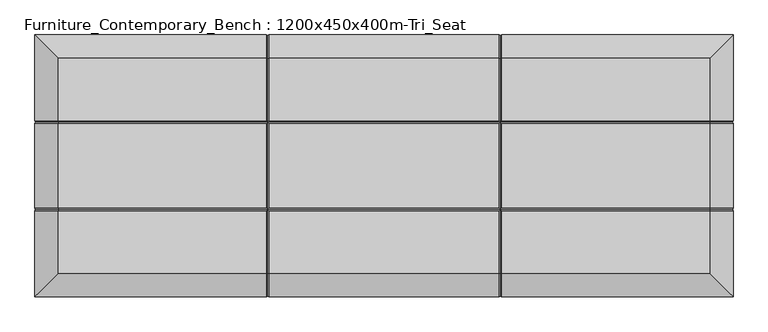
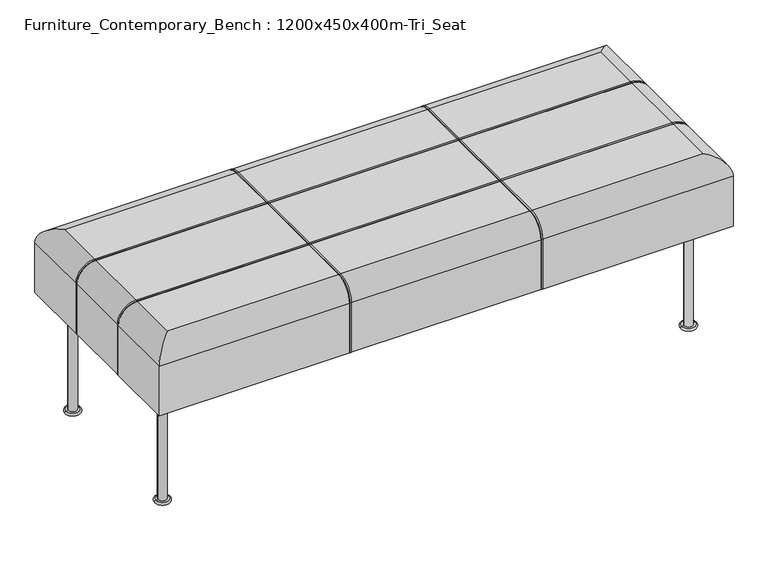
"""IFC4 building model written with IfcOpenShell, lengths in millimetres: furniture geometry, Furniture_Contemporary_Bench : 1200x450x400m-Tri_Seat."""

from ifc_helpers import new_model, si_unit, point, frame, origin, place, context, project, spatial, circle_curve, ellipse_curve, trimmed, source, transform, mapped, element, save
from ifc_brep_helpers import plane_surface, cylinder_surface, revolved_surface, advanced_brep


def furniture_contemporary_bench_1200x450x400m_tri_seat_790090d5(model_context):
    return source(origin(), model_context, "Body", "AdvancedBrep", [
        advanced_brep(
        [(662.3811933, -50.0, 5.0), (680.3811933, -50.0, 5.0), (680.3811933, -50.0, 250.0), (662.3811933, -50.0, 250.0), (657.3811933, -50.0, 5.0), (685.3811933, -50.0, 5.0), (657.3811933, -50.0, 0.0), (685.3811933, -50.0, 0.0), (671.3811933, -50.0, 0.0), (671.3811933, -50.0, 250.0)],
        [
            (0, 1, circle_curve(frame((671.3811933, -50.0, 5.0), z_axis=(0.0, 0.0, 1.0), x_axis=(1.0, 0.0, 0.0)), 9.0)),
            (1, 2),
            (2, 3, circle_curve(frame((671.3811933, -50.0, 250.0), z_axis=(0.0, 0.0, -1.0), x_axis=(1.0, 0.0, 0.0)), 9.0)),
            (3, 0),
            (1, 0, circle_curve(frame((671.3811933, -50.0, 5.0), z_axis=(0.0, 0.0, 1.0), x_axis=(1.0, 0.0, 0.0)), 9.0)),
            (3, 2, circle_curve(frame((671.3811933, -50.0, 250.0), z_axis=(0.0, 0.0, -1.0), x_axis=(1.0, 0.0, 0.0)), 9.0)),
            (4, 5, circle_curve(frame((671.3811933, -50.0, 5.0), z_axis=(0.0, 0.0, 1.0), x_axis=(1.0, 0.0, 0.0)), 14.0)),
            (5, 1),
            (0, 4),
            (5, 4, circle_curve(frame((671.3811933, -50.0, 5.0), z_axis=(0.0, 0.0, 1.0), x_axis=(1.0, 0.0, 0.0)), 14.0)),
            (6, 7, circle_curve(frame((671.3811933, -50.0, 0.0), z_axis=(0.0, 0.0, 1.0), x_axis=(1.0, 0.0, 0.0)), 14.0)),
            (7, 5, circle_curve(frame((685.3811933, -50.0, 2.5), z_axis=(0.0, -1.0, 0.0), x_axis=(-1.0, 0.0, 0.0)), 2.5)),
            (4, 6, circle_curve(frame((657.3811933, -50.0, 2.5), z_axis=(0.0, -1.0, 0.0), x_axis=(1.0, 0.0, 0.0)), 2.5)),
            (7, 6, circle_curve(frame((671.3811933, -50.0, 0.0), z_axis=(0.0, 0.0, 1.0), x_axis=(1.0, 0.0, 0.0)), 14.0)),
            (8, 7),
            (6, 8),
            (2, 9),
            (9, 3),
        ],
        [
            cylinder_surface(frame((671.3811933, -50.0, -55.0), z_axis=(0.0, 0.0, -1.0), x_axis=(1.0, 0.0, 0.0)), 9.0),
            plane_surface(frame((671.3811933, -50.0, 5.0), z_axis=(0.0, 0.0, 1.0), x_axis=(1.0, 0.0, 0.0))),
            revolved_surface(trimmed(ellipse_curve(frame((685.3811933, -50.0, 2.5), z_axis=(0.0, 1.0, 0.0), x_axis=(-1.0, 0.0, 0.0)), 2.5, 2.5), [point((685.3811933, -50.0, 5.0))], [point((685.3811933, -50.0, 0.0))], True, "CARTESIAN"), (671.3811933, -50.0, -55.0), (0.0, 0.0, -1.0)),
            plane_surface(frame((671.3811933, -50.0, 0.0), z_axis=(0.0, 0.0, -1.0), x_axis=(1.0, 0.0, 0.0))),
            plane_surface(frame((671.3811933, -50.0, 250.0), z_axis=(0.0, 0.0, 1.0), x_axis=(1.0, 0.0, 0.0))),
        ],
        [
            (0, [[1, 2, 3, 4]]),
            (0, [[5, -4, 6, -2]]),
            (1, [[7, 8, -1, 9]]),
            (1, [[10, -9, -5, -8]]),
            (2, [[11, 12, -7, 13]]),
            (2, [[14, -13, -10, -12]]),
            (3, [[15, -11, 16]]),
            (3, [[-16, -14, -15]]),
            (4, [[-3, 17, 18]]),
            (4, [[-6, -18, -17]]),
        ],
    ),
        advanced_brep(
        [(-428.6188067, -50.0, 250.0), (-437.6188067, -50.0, 250.0), (-419.6188067, -50.0, 250.0), (-414.6188067, -50.0, 0.0), (-442.6188067, -50.0, 0.0), (-428.6188067, -50.0, 0.0), (-414.6188067, -50.0, 5.0), (-442.6188067, -50.0, 5.0), (-419.6188067, -50.0, 5.0), (-437.6188067, -50.0, 5.0)],
        [
            (0, 1),
            (1, 2, circle_curve(frame((-428.6188067, -50.0, 250.0), z_axis=(0.0, 0.0, 1.0), x_axis=(-1.0, 0.0, 0.0)), 9.0)),
            (2, 0),
            (2, 1, circle_curve(frame((-428.6188067, -50.0, 250.0), z_axis=(0.0, 0.0, 1.0), x_axis=(-1.0, 0.0, 0.0)), 9.0)),
            (3, 4, circle_curve(frame((-428.6188067, -50.0, 0.0), z_axis=(0.0, 0.0, -1.0), x_axis=(-1.0, 0.0, 0.0)), 14.0)),
            (4, 5),
            (5, 3),
            (4, 3, circle_curve(frame((-428.6188067, -50.0, 0.0), z_axis=(0.0, 0.0, -1.0), x_axis=(-1.0, 0.0, 0.0)), 14.0)),
            (6, 7, circle_curve(frame((-428.6188067, -50.0, 5.0), z_axis=(0.0, 0.0, -1.0), x_axis=(-1.0, 0.0, 0.0)), 14.0)),
            (7, 4, circle_curve(frame((-442.6188067, -50.0, 2.5), z_axis=(0.0, -1.0, 0.0), x_axis=(-1.0, 0.0, 0.0)), 2.5)),
            (3, 6, circle_curve(frame((-414.6188067, -50.0, 2.5), z_axis=(0.0, -1.0, 0.0), x_axis=(1.0, 0.0, 0.0)), 2.5)),
            (7, 6, circle_curve(frame((-428.6188067, -50.0, 5.0), z_axis=(0.0, 0.0, -1.0), x_axis=(-1.0, 0.0, 0.0)), 14.0)),
            (8, 9, circle_curve(frame((-428.6188067, -50.0, 5.0), z_axis=(0.0, 0.0, -1.0), x_axis=(-1.0, 0.0, 0.0)), 9.0)),
            (9, 7),
            (6, 8),
            (9, 8, circle_curve(frame((-428.6188067, -50.0, 5.0), z_axis=(0.0, 0.0, -1.0), x_axis=(-1.0, 0.0, 0.0)), 9.0)),
            (1, 9),
            (8, 2),
        ],
        [
            plane_surface(frame((-428.6188067, -50.0, 250.0), z_axis=(0.0, 0.0, 1.0), x_axis=(-1.0, 0.0, 0.0))),
            plane_surface(frame((-428.6188067, -50.0, 0.0), z_axis=(0.0, 0.0, -1.0), x_axis=(-1.0, 0.0, 0.0))),
            revolved_surface(trimmed(ellipse_curve(frame((-442.6188067, -50.0, 2.5), z_axis=(0.0, 1.0, 0.0), x_axis=(-1.0, 0.0, 0.0)), 2.5, 2.5), [point((-442.6188067, -50.0, 0.0))], [point((-442.6188067, -50.0, 5.0))], True, "CARTESIAN"), (-428.6188067, -50.0, -55.0), (0.0, 0.0, 1.0)),
            plane_surface(frame((-428.6188067, -50.0, 5.0), z_axis=(0.0, 0.0, 1.0), x_axis=(-1.0, 0.0, 0.0))),
            cylinder_surface(frame((-428.6188067, -50.0, -55.0), z_axis=(0.0, 0.0, 1.0), x_axis=(-1.0, 0.0, 0.0)), 9.0),
        ],
        [
            (0, [[1, 2, 3]]),
            (0, [[-3, 4, -1]]),
            (1, [[5, 6, 7]]),
            (1, [[8, -7, -6]]),
            (2, [[9, 10, -5, 11]]),
            (2, [[12, -11, -8, -10]]),
            (3, [[13, 14, -9, 15]]),
            (3, [[16, -15, -12, -14]]),
            (4, [[-2, 17, -13, 18]]),
            (4, [[-4, -18, -16, -17]]),
        ],
    ),
        advanced_brep(
        [(662.3811933, -375.0, 5.0), (680.3811933, -375.0, 5.0), (680.3811933, -375.0, 250.0), (662.3811933, -375.0, 250.0), (657.3811933, -375.0, 5.0), (685.3811933, -375.0, 5.0), (657.3811933, -375.0, 0.0), (685.3811933, -375.0, 0.0), (671.3811933, -375.0, 0.0), (671.3811933, -375.0, 250.0)],
        [
            (0, 1, circle_curve(frame((671.3811933, -375.0, 5.0), z_axis=(0.0, 0.0, 1.0), x_axis=(1.0, 0.0, 0.0)), 9.0)),
            (1, 2),
            (2, 3, circle_curve(frame((671.3811933, -375.0, 250.0), z_axis=(0.0, 0.0, -1.0), x_axis=(1.0, 0.0, 0.0)), 9.0)),
            (3, 0),
            (1, 0, circle_curve(frame((671.3811933, -375.0, 5.0), z_axis=(0.0, 0.0, 1.0), x_axis=(1.0, 0.0, 0.0)), 9.0)),
            (3, 2, circle_curve(frame((671.3811933, -375.0, 250.0), z_axis=(0.0, 0.0, -1.0), x_axis=(1.0, 0.0, 0.0)), 9.0)),
            (4, 5, circle_curve(frame((671.3811933, -375.0, 5.0), z_axis=(0.0, 0.0, 1.0), x_axis=(1.0, 0.0, 0.0)), 14.0)),
            (5, 1),
            (0, 4),
            (5, 4, circle_curve(frame((671.3811933, -375.0, 5.0), z_axis=(0.0, 0.0, 1.0), x_axis=(1.0, 0.0, 0.0)), 14.0)),
            (6, 7, circle_curve(frame((671.3811933, -375.0, 0.0), z_axis=(0.0, 0.0, 1.0), x_axis=(1.0, 0.0, 0.0)), 14.0)),
            (7, 5, circle_curve(frame((685.3811933, -375.0, 2.5), z_axis=(0.0, -1.0, 0.0), x_axis=(1.0, 0.0, 0.0)), 2.5)),
            (4, 6, circle_curve(frame((657.3811933, -375.0, 2.5), z_axis=(0.0, -1.0, 0.0), x_axis=(-1.0, 0.0, 0.0)), 2.5)),
            (7, 6, circle_curve(frame((671.3811933, -375.0, 0.0), z_axis=(0.0, 0.0, 1.0), x_axis=(1.0, 0.0, 0.0)), 14.0)),
            (8, 7),
            (6, 8),
            (2, 9),
            (9, 3),
        ],
        [
            cylinder_surface(frame((671.3811933, -375.0, -55.0), z_axis=(0.0, 0.0, -1.0), x_axis=(1.0, 0.0, 0.0)), 9.0),
            plane_surface(frame((671.3811933, -375.0, 5.0), z_axis=(0.0, 0.0, 1.0), x_axis=(1.0, 0.0, 0.0))),
            revolved_surface(trimmed(ellipse_curve(frame((685.3811933, -375.0, 2.5), z_axis=(0.0, 1.0, 0.0), x_axis=(1.0, 0.0, 0.0)), 2.5, 2.5), [point((685.3811933, -375.0, 5.0))], [point((685.3811933, -375.0, 0.0))], True, "CARTESIAN"), (671.3811933, -375.0, -55.0), (0.0, 0.0, -1.0)),
            plane_surface(frame((671.3811933, -375.0, 0.0), z_axis=(0.0, 0.0, -1.0), x_axis=(1.0, 0.0, 0.0))),
            plane_surface(frame((671.3811933, -375.0, 250.0), z_axis=(0.0, 0.0, 1.0), x_axis=(1.0, 0.0, 0.0))),
        ],
        [
            (0, [[1, 2, 3, 4]]),
            (0, [[5, -4, 6, -2]]),
            (1, [[7, 8, -1, 9]]),
            (1, [[10, -9, -5, -8]]),
            (2, [[11, 12, -7, 13]]),
            (2, [[14, -13, -10, -12]]),
            (3, [[15, -11, 16]]),
            (3, [[-16, -14, -15]]),
            (4, [[-3, 17, 18]]),
            (4, [[-6, -18, -17]]),
        ],
    ),
        advanced_brep(
        [(-428.6188067, -375.0, 250.0), (-437.6188067, -375.0, 250.0), (-419.6188067, -375.0, 250.0), (-414.6188067, -375.0, 0.0), (-442.6188067, -375.0, 0.0), (-428.6188067, -375.0, 0.0), (-414.6188067, -375.0, 5.0), (-442.6188067, -375.0, 5.0), (-419.6188067, -375.0, 5.0), (-437.6188067, -375.0, 5.0)],
        [
            (0, 1),
            (1, 2, circle_curve(frame((-428.6188067, -375.0, 250.0), z_axis=(0.0, 0.0, 1.0), x_axis=(-1.0, 0.0, 0.0)), 9.0)),
            (2, 0),
            (2, 1, circle_curve(frame((-428.6188067, -375.0, 250.0), z_axis=(0.0, 0.0, 1.0), x_axis=(-1.0, 0.0, 0.0)), 9.0)),
            (3, 4, circle_curve(frame((-428.6188067, -375.0, 0.0), z_axis=(0.0, 0.0, -1.0), x_axis=(-1.0, 0.0, 0.0)), 14.0)),
            (4, 5),
            (5, 3),
            (4, 3, circle_curve(frame((-428.6188067, -375.0, 0.0), z_axis=(0.0, 0.0, -1.0), x_axis=(-1.0, 0.0, 0.0)), 14.0)),
            (6, 7, circle_curve(frame((-428.6188067, -375.0, 5.0), z_axis=(0.0, 0.0, -1.0), x_axis=(-1.0, 0.0, 0.0)), 14.0)),
            (7, 4, circle_curve(frame((-442.6188067, -375.0, 2.5), z_axis=(0.0, -1.0, 0.0), x_axis=(-1.0, 0.0, 0.0)), 2.5)),
            (3, 6, circle_curve(frame((-414.6188067, -375.0, 2.5), z_axis=(0.0, -1.0, 0.0), x_axis=(1.0, 0.0, 0.0)), 2.5)),
            (7, 6, circle_curve(frame((-428.6188067, -375.0, 5.0), z_axis=(0.0, 0.0, -1.0), x_axis=(-1.0, 0.0, 0.0)), 14.0)),
            (8, 9, circle_curve(frame((-428.6188067, -375.0, 5.0), z_axis=(0.0, 0.0, -1.0), x_axis=(-1.0, 0.0, 0.0)), 9.0)),
            (9, 7),
            (6, 8),
            (9, 8, circle_curve(frame((-428.6188067, -375.0, 5.0), z_axis=(0.0, 0.0, -1.0), x_axis=(-1.0, 0.0, 0.0)), 9.0)),
            (1, 9),
            (8, 2),
        ],
        [
            plane_surface(frame((-428.6188067, -375.0, 250.0), z_axis=(0.0, 0.0, 1.0), x_axis=(-1.0, 0.0, 0.0))),
            plane_surface(frame((-428.6188067, -375.0, 0.0), z_axis=(0.0, 0.0, -1.0), x_axis=(-1.0, 0.0, 0.0))),
            revolved_surface(trimmed(ellipse_curve(frame((-442.6188067, -375.0, 2.5), z_axis=(0.0, 1.0, 0.0), x_axis=(-1.0, 0.0, 0.0)), 2.5, 2.5), [point((-442.6188067, -375.0, 0.0))], [point((-442.6188067, -375.0, 5.0))], True, "CARTESIAN"), (-428.6188067, -375.0, -55.0), (0.0, 0.0, 1.0)),
            plane_surface(frame((-428.6188067, -375.0, 5.0), z_axis=(0.0, 0.0, 1.0), x_axis=(-1.0, 0.0, 0.0))),
            cylinder_surface(frame((-428.6188067, -375.0, -55.0), z_axis=(0.0, 0.0, 1.0), x_axis=(-1.0, 0.0, 0.0)), 9.0),
        ],
        [
            (0, [[1, 2, 3]]),
            (0, [[-3, 4, -1]]),
            (1, [[5, 6, 7]]),
            (1, [[8, -7, -6]]),
            (2, [[9, 10, -5, 11]]),
            (2, [[12, -11, -8, -10]]),
            (3, [[13, 14, -9, 15]]),
            (3, [[16, -15, -12, -14]]),
            (4, [[-2, 17, -13, 18]]),
            (4, [[-4, -18, -16, -17]]),
        ],
    ),
        advanced_brep(
        [(-478.6188067, -450.0, 360.0), (-478.6188067, -450.0, 250.0), (-81.2982159, -450.0, 250.0), (-81.2982159, -450.0, 360.0), (721.3811933, -450.0, 250.0), (721.3811933, -450.0, 360.0), (324.0606025, -450.0, 360.0), (324.0606025, -450.0, 250.0), (-75.9393975, -450.0, 250.0), (318.7017841, -450.0, 250.0), (318.7017841, -450.0, 360.0), (-75.9393975, -450.0, 360.0), (721.3811933, 0.0, 360.0), (721.3811933, 0.0, 250.0), (324.0606025, 0.0, 250.0), (324.0606025, 0.0, 360.0), (-478.6188067, 0.0, 250.0), (-478.6188067, 0.0, 360.0), (-81.2982159, 0.0, 360.0), (-81.2982159, 0.0, 250.0), (318.7017841, 0.0, 250.0), (-75.9393975, 0.0, 250.0), (-75.9393975, 0.0, 360.0), (318.7017841, 0.0, 360.0), (-438.6188067, -302.679408, 400.0), (-438.6188067, -410.0, 400.0), (-81.2982159, -410.0, 400.0), (-81.2982159, -302.6794092, 400.0), (-438.6188067, -40.0, 400.0), (-438.6188067, -147.3205908, 400.0), (-81.2982159, -147.3205908, 400.0), (-81.2982159, -40.0, 400.0), (-438.6188067, -152.6794084, 400.0), (-438.6188067, -297.3205908, 400.0), (-81.2982159, -297.3205908, 400.0), (-81.2982159, -152.6794092, 400.0), (681.3811933, -410.0, 400.0), (681.3811933, -302.6794092, 400.0), (324.0606025, -302.6794092, 400.0), (324.0606025, -410.0, 400.0), (681.3811933, -147.3205908, 400.0), (681.3811933, -40.0, 400.0), (324.0606025, -40.0, 400.0), (324.0606025, -147.3205908, 400.0), (681.3811933, -297.3205908, 400.0), (681.3811933, -152.6794092, 400.0), (324.0606025, -152.6794092, 400.0), (324.0606025, -297.3205908, 400.0), (318.7017854, -40.0, 400.0), (-75.9393975, -40.0, 400.0), (-75.9393975, -147.3205908, 400.0), (318.7017841, -147.3205908, 400.0), (-75.9393975, -410.0, 400.0), (318.7017841, -410.0, 400.0), (318.7017841, -302.6794092, 400.0), (-75.9393975, -302.6794092, 400.0), (-75.9393975, -297.3205908, 400.0), (318.7017841, -297.3205908, 400.0), (318.7017841, -152.6794092, 400.0), (-75.9393975, -152.6794092, 400.0), (-478.6188067, -302.6794092, 360.0), (-478.6188067, -302.6794092, 250.0), (-478.6188067, -147.3205908, 250.0), (-478.6188067, -147.3205908, 360.0), (-478.6188067, -297.3205908, 360.0), (-478.6188067, -152.6794092, 360.0), (-478.6188067, -152.6794092, 250.0), (-478.6188067, -297.3205908, 250.0), (-475.9393975, -300.0, 250.0), (-475.9393975, -150.0, 250.0), (-78.6188067, -2.6794092, 250.0), (321.3811933, -2.6794092, 250.0), (721.3811933, -147.3205908, 250.0), (718.7017841, -150.0, 250.0), (721.3811933, -152.6794092, 250.0), (721.3811933, -297.3205908, 250.0), (718.7017841, -300.0, 250.0), (721.3811933, -302.6794092, 250.0), (321.3811933, -447.3205908, 250.0), (-78.6188067, -447.3205908, 250.0), (721.3811933, -302.6794092, 360.0), (721.3811933, -147.3205908, 360.0), (721.3811933, -152.6794092, 360.0), (721.3811933, -297.3205908, 360.0), (-475.9393975, -300.0, 360.0), (-475.9393975, -150.0, 360.0), (-438.6188067, -300.0, 397.3205908), (-438.6188067, -150.0, 397.3205908), (-78.6188067, -300.0, 397.3205908), (321.3811933, -300.0, 397.3205908), (681.3811933, -300.0, 397.3205908), (-78.6188067, -150.0, 397.3205908), (321.3811933, -150.0, 397.3205908), (681.3811933, -150.0, 397.3205908), (718.7017841, -300.0, 360.0), (718.7017841, -150.0, 360.0), (-78.6188067, -2.6794092, 360.0), (321.3811933, -2.6794092, 360.0), (-78.6188067, -40.0, 397.3205908), (321.3811933, -40.0, 397.3205908), (-78.6188067, -410.0, 397.3205908), (321.3811933, -410.0, 397.3205908), (-78.6188067, -447.3205908, 360.0), (321.3811933, -447.3205908, 360.0)],
        [
            (0, 1),
            (1, 2),
            (2, 3),
            (3, 0),
            (4, 5),
            (5, 6),
            (6, 7),
            (7, 4),
            (8, 9),
            (9, 10),
            (10, 11),
            (11, 8),
            (12, 13),
            (13, 14),
            (14, 15),
            (15, 12),
            (16, 17),
            (17, 18),
            (18, 19),
            (19, 16),
            (20, 21),
            (21, 22),
            (22, 23),
            (23, 20),
            (24, 25),
            (25, 26),
            (26, 27),
            (27, 24),
            (28, 29),
            (29, 30),
            (30, 31),
            (31, 28),
            (32, 33),
            (33, 34),
            (34, 35),
            (35, 32),
            (36, 37),
            (37, 38),
            (38, 39),
            (39, 36),
            (40, 41),
            (41, 42),
            (42, 43),
            (43, 40),
            (44, 45),
            (45, 46),
            (46, 47),
            (47, 44),
            (48, 49),
            (49, 50),
            (50, 51),
            (51, 48),
            (52, 53),
            (53, 54),
            (54, 55),
            (55, 52),
            (56, 57),
            (57, 58),
            (58, 59),
            (59, 56),
            (0, 60),
            (60, 61),
            (61, 1),
            (16, 62),
            (62, 63),
            (63, 17),
            (64, 65),
            (65, 66),
            (66, 67),
            (67, 64),
            (61, 68, circle_curve(frame((-475.9393975, -302.6794092, 250.0), z_axis=(0.0, 0.0, -1.0), x_axis=(1.0, 0.0, 0.0)), 2.6794092)),
            (68, 67, circle_curve(frame((-475.9393975, -297.3205908, 250.0), z_axis=(0.0, 0.0, -1.0), x_axis=(1.0, 0.0, 0.0)), 2.6794092)),
            (66, 69, circle_curve(frame((-475.9393975, -152.6794092, 250.0), z_axis=(0.0, 0.0, -1.0), x_axis=(1.0, 0.0, 0.0)), 2.6794092)),
            (69, 62, circle_curve(frame((-475.9393975, -147.3205908, 250.0), z_axis=(0.0, 0.0, -1.0), x_axis=(1.0, 0.0, 0.0)), 2.6794092)),
            (19, 70, circle_curve(frame((-81.2982159, -2.6794092, 250.0), z_axis=(0.0, 0.0, -1.0), x_axis=(1.0, 0.0, 0.0)), 2.6794092)),
            (70, 21, circle_curve(frame((-75.9393975, -2.6794092, 250.0), z_axis=(0.0, 0.0, -1.0), x_axis=(1.0, 0.0, 0.0)), 2.6794092)),
            (20, 71, circle_curve(frame((318.7017841, -2.6794092, 250.0), z_axis=(0.0, 0.0, -1.0), x_axis=(1.0, 0.0, 0.0)), 2.6794092)),
            (71, 14, circle_curve(frame((324.0606025, -2.6794092, 250.0), z_axis=(0.0, 0.0, -1.0), x_axis=(1.0, 0.0, 0.0)), 2.6794092)),
            (13, 72),
            (72, 73, circle_curve(frame((718.7017841, -147.3205908, 250.0), z_axis=(0.0, 0.0, -1.0), x_axis=(-1.0, 0.0, 0.0)), 2.6794092)),
            (73, 74, circle_curve(frame((718.7017841, -152.6794092, 250.0), z_axis=(0.0, 0.0, -1.0), x_axis=(-1.0, 0.0, 0.0)), 2.6794092)),
            (74, 75),
            (75, 76, circle_curve(frame((718.7017841, -297.3205908, 250.0), z_axis=(0.0, 0.0, -1.0), x_axis=(-1.0, 0.0, 0.0)), 2.6794092)),
            (76, 77, circle_curve(frame((718.7017841, -302.6794092, 250.0), z_axis=(0.0, 0.0, -1.0), x_axis=(-1.0, 0.0, 0.0)), 2.6794092)),
            (77, 4),
            (7, 78, circle_curve(frame((324.0606025, -447.3205908, 250.0), z_axis=(0.0, 0.0, -1.0), x_axis=(1.0, 0.0, 0.0)), 2.6794092)),
            (78, 9, circle_curve(frame((318.7017841, -447.3205908, 250.0), z_axis=(0.0, 0.0, -1.0), x_axis=(1.0, 0.0, 0.0)), 2.6794092)),
            (8, 79, circle_curve(frame((-75.9393975, -447.3205908, 250.0), z_axis=(0.0, 0.0, -1.0), x_axis=(1.0, 0.0, 0.0)), 2.6794092)),
            (79, 2, circle_curve(frame((-81.2982159, -447.3205908, 250.0), z_axis=(0.0, 0.0, -1.0), x_axis=(1.0, 0.0, 0.0)), 2.6794092)),
            (77, 80),
            (80, 5),
            (12, 81),
            (81, 72),
            (74, 82),
            (82, 83),
            (83, 75),
            (32, 65, circle_curve(frame((-438.6188067, -152.6794092, 360.0), z_axis=(0.0, -1.0, 0.0), x_axis=(-1.0, 0.0, 0.0)), 40.0)),
            (64, 33, circle_curve(frame((-438.6188067, -297.3205908, 360.0), z_axis=(0.0, 1.0, 0.0), x_axis=(-1.0, 0.0, 0.0)), 40.0)),
            (28, 17, ellipse_curve(frame((-438.6188067, -40.0, 360.0), z_axis=(-0.7071067811865475, -0.7071067811865475, 0.0), x_axis=(-0.7071067811865474, 0.7071067811865476, 0.0)), 56.5685425, 40.0)),
            (63, 29, circle_curve(frame((-438.6188067, -147.3205908, 360.0), z_axis=(0.0, 1.0, 0.0), x_axis=(-1.0, 0.0, 0.0)), 40.0)),
            (0, 25, ellipse_curve(frame((-438.6188067, -410.0, 360.0), z_axis=(-0.7071067811865475, 0.7071067811865475, 0.0), x_axis=(0.7071067811865474, 0.7071067811865476, 0.0)), 56.5685425, 40.0)),
            (24, 60, circle_curve(frame((-438.6188067, -302.6794092, 360.0), z_axis=(0.0, -1.0, 0.0), x_axis=(-1.0, 0.0, 0.0)), 40.0)),
            (22, 49, circle_curve(frame((-75.9393975, -40.0, 360.0), z_axis=(1.0, 0.0, 0.0), x_axis=(0.0, 1.0, 0.0)), 40.0)),
            (48, 23, circle_curve(frame((318.7017841, -40.0, 360.0), z_axis=(-1.0, 0.0, 0.0), x_axis=(0.0, 1.0, 0.0)), 40.0)),
            (31, 18, circle_curve(frame((-81.2982159, -40.0, 360.0), z_axis=(-1.0, 0.0, 0.0), x_axis=(0.0, 1.0, 0.0)), 40.0)),
            (41, 12, ellipse_curve(frame((681.3811933, -40.0, 360.0), z_axis=(-0.7071067811865475, 0.7071067811865475, 0.0), x_axis=(0.7071067811865476, 0.7071067811865474, 0.0)), 56.5685425, 40.0)),
            (15, 42, circle_curve(frame((324.0606025, -40.0, 360.0), z_axis=(1.0, 0.0, 0.0), x_axis=(0.0, 1.0, 0.0)), 40.0)),
            (44, 83, circle_curve(frame((681.3811933, -297.3205908, 360.0), z_axis=(0.0, 1.0, 0.0), x_axis=(1.0, 0.0, 0.0)), 40.0)),
            (82, 45, circle_curve(frame((681.3811933, -152.6794092, 360.0), z_axis=(0.0, -1.0, 0.0), x_axis=(1.0, 0.0, 0.0)), 40.0)),
            (40, 81, circle_curve(frame((681.3811933, -147.3205908, 360.0), z_axis=(0.0, 1.0, 0.0), x_axis=(1.0, 0.0, 0.0)), 40.0)),
            (36, 5, ellipse_curve(frame((681.3811933, -410.0, 360.0), z_axis=(0.7071067811865475, 0.7071067811865475, 0.0), x_axis=(0.7071067811865474, -0.7071067811865476, 0.0)), 56.5685425, 40.0)),
            (80, 37, circle_curve(frame((681.3811933, -302.6794092, 360.0), z_axis=(0.0, -1.0, 0.0), x_axis=(1.0, 0.0, 0.0)), 40.0)),
            (10, 53, circle_curve(frame((318.7017841, -410.0, 360.0), z_axis=(-1.0, 0.0, 0.0), x_axis=(0.0, -1.0, 0.0)), 40.0)),
            (52, 11, circle_curve(frame((-75.9393975, -410.0, 360.0), z_axis=(1.0, 0.0, 0.0), x_axis=(0.0, -1.0, 0.0)), 40.0)),
            (3, 26, circle_curve(frame((-81.2982159, -410.0, 360.0), z_axis=(-1.0, 0.0, 0.0), x_axis=(0.0, -1.0, 0.0)), 40.0)),
            (39, 6, circle_curve(frame((324.0606025, -410.0, 360.0), z_axis=(1.0, 0.0, 0.0), x_axis=(0.0, -1.0, 0.0)), 40.0)),
            (68, 84),
            (84, 64, circle_curve(frame((-475.9393975, -297.3205908, 360.0), z_axis=(0.0, 0.0, -1.0), x_axis=(1.0, 0.0, 0.0)), 2.6794092)),
            (60, 84, circle_curve(frame((-475.9393975, -302.6794092, 360.0), z_axis=(0.0, 0.0, -1.0), x_axis=(1.0, 0.0, 0.0)), 2.6794092)),
            (69, 85),
            (85, 63, circle_curve(frame((-475.9393975, -147.3205908, 360.0), z_axis=(0.0, 0.0, -1.0), x_axis=(1.0, 0.0, 0.0)), 2.6794092)),
            (65, 85, circle_curve(frame((-475.9393975, -152.6794092, 360.0), z_axis=(0.0, 0.0, -1.0), x_axis=(1.0, 0.0, 0.0)), 2.6794092)),
            (84, 86, circle_curve(frame((-438.6188067, -300.0, 360.0), z_axis=(0.0, 1.0, 0.0), x_axis=(-1.0, 0.0, 0.0)), 37.3205908)),
            (86, 33, circle_curve(frame((-438.6188067, -297.3205908, 397.3205908), z_axis=(-1.0, 0.0, 0.0), x_axis=(0.0, 0.0, -1.0)), 2.6794092)),
            (24, 86, circle_curve(frame((-438.6188067, -302.6794092, 397.3205908), z_axis=(-1.0, 0.0, 0.0), x_axis=(0.0, 0.0, -1.0)), 2.6794092)),
            (85, 87, circle_curve(frame((-438.6188067, -150.0, 360.0), z_axis=(0.0, 1.0, 0.0), x_axis=(-1.0, 0.0, 0.0)), 37.3205908)),
            (87, 29, circle_curve(frame((-438.6188067, -147.3205908, 397.3205908), z_axis=(-1.0, 0.0, 0.0), x_axis=(0.0, 0.0, -1.0)), 2.6794092)),
            (32, 87, circle_curve(frame((-438.6188067, -152.6794092, 397.3205908), z_axis=(-1.0, 0.0, 0.0), x_axis=(0.0, 0.0, -1.0)), 2.6794092)),
            (56, 88, ellipse_curve(frame((-75.9393975, -297.3205908, 397.3205908), z_axis=(0.7071067811865464, -0.7071067811865487, 0.0), x_axis=(0.7071067811865487, 0.7071067811865464, 0.0)), 3.7892569, 2.6794092)),
            (88, 89),
            (89, 57, ellipse_curve(frame((318.7017841, -297.3205908, 397.3205908), z_axis=(-0.7071067811865487, -0.7071067811865464, 0.0), x_axis=(0.7071067811865465, -0.7071067811865487, 0.0)), 3.7892569, 2.6794092)),
            (86, 88),
            (88, 34, ellipse_curve(frame((-81.2982159, -297.3205908, 397.3205908), z_axis=(-0.7071067811865487, -0.7071067811865464, 0.0), x_axis=(0.7071067811865465, -0.7071067811865487, 0.0)), 3.7892569, 2.6794092)),
            (90, 44, circle_curve(frame((681.3811933, -297.3205908, 397.3205908), z_axis=(-1.0, 0.0, 0.0), x_axis=(0.0, 0.0, -1.0)), 2.6794092)),
            (47, 89, ellipse_curve(frame((324.0606025, -297.3205908, 397.3205908), z_axis=(0.7071067811865464, -0.7071067811865487, 0.0), x_axis=(0.7071067811865487, 0.7071067811865464, 0.0)), 3.7892569, 2.6794092)),
            (89, 90),
            (54, 89, ellipse_curve(frame((318.7017841, -302.6794092, 397.3205908), z_axis=(-0.7071067811865464, 0.7071067811865487, 0.0), x_axis=(0.7071067811865487, 0.7071067811865464, 0.0)), 3.7892569, 2.6794092)),
            (88, 55, ellipse_curve(frame((-75.9393975, -302.6794092, 397.3205908), z_axis=(0.7071067811865487, 0.7071067811865464, 0.0), x_axis=(0.7071067811865465, -0.7071067811865487, 0.0)), 3.7892569, 2.6794092)),
            (27, 88, ellipse_curve(frame((-81.2982159, -302.6794092, 397.3205908), z_axis=(-0.7071067811865464, 0.7071067811865487, 0.0), x_axis=(0.7071067811865487, 0.7071067811865464, 0.0)), 3.7892569, 2.6794092)),
            (37, 90, circle_curve(frame((681.3811933, -302.6794092, 397.3205908), z_axis=(-1.0, 0.0, 0.0), x_axis=(0.0, 0.0, -1.0)), 2.6794092)),
            (89, 38, ellipse_curve(frame((324.0606025, -302.6794092, 397.3205908), z_axis=(0.7071067811865487, 0.7071067811865464, 0.0), x_axis=(0.7071067811865465, -0.7071067811865487, 0.0)), 3.7892569, 2.6794092)),
            (50, 91, ellipse_curve(frame((-75.9393975, -147.3205908, 397.3205908), z_axis=(0.7071067811865464, -0.7071067811865487, 0.0), x_axis=(0.7071067811865487, 0.7071067811865464, 0.0)), 3.7892569, 2.6794092)),
            (91, 92),
            (92, 51, ellipse_curve(frame((318.7017841, -147.3205908, 397.3205908), z_axis=(-0.7071067811865487, -0.7071067811865464, 0.0), x_axis=(0.7071067811865465, -0.7071067811865487, 0.0)), 3.7892569, 2.6794092)),
            (87, 91),
            (91, 30, ellipse_curve(frame((-81.2982159, -147.3205908, 397.3205908), z_axis=(-0.7071067811865487, -0.7071067811865464, 0.0), x_axis=(0.7071067811865465, -0.7071067811865487, 0.0)), 3.7892569, 2.6794092)),
            (93, 40, circle_curve(frame((681.3811933, -147.3205908, 397.3205908), z_axis=(-1.0, 0.0, 0.0), x_axis=(0.0, 0.0, -1.0)), 2.6794092)),
            (43, 92, ellipse_curve(frame((324.0606025, -147.3205908, 397.3205908), z_axis=(0.7071067811865464, -0.7071067811865487, 0.0), x_axis=(0.7071067811865487, 0.7071067811865464, 0.0)), 3.7892569, 2.6794092)),
            (92, 93),
            (58, 92, ellipse_curve(frame((318.7017841, -152.6794092, 397.3205908), z_axis=(-0.7071067811865464, 0.7071067811865487, 0.0), x_axis=(0.7071067811865487, 0.7071067811865464, 0.0)), 3.7892569, 2.6794092)),
            (91, 59, ellipse_curve(frame((-75.9393975, -152.6794092, 397.3205908), z_axis=(0.7071067811865487, 0.7071067811865464, 0.0), x_axis=(0.7071067811865465, -0.7071067811865487, 0.0)), 3.7892569, 2.6794092)),
            (35, 91, ellipse_curve(frame((-81.2982159, -152.6794092, 397.3205908), z_axis=(-0.7071067811865464, 0.7071067811865487, 0.0), x_axis=(0.7071067811865487, 0.7071067811865464, 0.0)), 3.7892569, 2.6794092)),
            (45, 93, circle_curve(frame((681.3811933, -152.6794092, 397.3205908), z_axis=(-1.0, 0.0, 0.0), x_axis=(0.0, 0.0, -1.0)), 2.6794092)),
            (92, 46, ellipse_curve(frame((324.0606025, -152.6794092, 397.3205908), z_axis=(0.7071067811865487, 0.7071067811865464, 0.0), x_axis=(0.7071067811865465, -0.7071067811865487, 0.0)), 3.7892569, 2.6794092)),
            (90, 94, circle_curve(frame((681.3811933, -300.0, 360.0), z_axis=(0.0, 1.0, 0.0), x_axis=(0.0, 0.0, 1.0)), 37.3205908)),
            (94, 83, circle_curve(frame((718.7017841, -297.3205908, 360.0), z_axis=(0.0, 0.0, 1.0), x_axis=(-1.0, 0.0, 0.0)), 2.6794092)),
            (80, 94, circle_curve(frame((718.7017841, -302.6794092, 360.0), z_axis=(0.0, 0.0, 1.0), x_axis=(-1.0, 0.0, 0.0)), 2.6794092)),
            (93, 95, circle_curve(frame((681.3811933, -150.0, 360.0), z_axis=(0.0, 1.0, 0.0), x_axis=(0.0, 0.0, 1.0)), 37.3205908)),
            (95, 81, circle_curve(frame((718.7017841, -147.3205908, 360.0), z_axis=(0.0, 0.0, 1.0), x_axis=(-1.0, 0.0, 0.0)), 2.6794092)),
            (82, 95, circle_curve(frame((718.7017841, -152.6794092, 360.0), z_axis=(0.0, 0.0, 1.0), x_axis=(-1.0, 0.0, 0.0)), 2.6794092)),
            (94, 76),
            (95, 73),
            (70, 96),
            (96, 22, circle_curve(frame((-75.9393975, -2.6794092, 360.0), z_axis=(0.0, 0.0, -1.0), x_axis=(1.0, 0.0, 0.0)), 2.6794092)),
            (18, 96, circle_curve(frame((-81.2982159, -2.6794092, 360.0), z_axis=(0.0, 0.0, -1.0), x_axis=(1.0, 0.0, 0.0)), 2.6794092)),
            (71, 97),
            (97, 15, circle_curve(frame((324.0606025, -2.6794092, 360.0), z_axis=(0.0, 0.0, -1.0), x_axis=(1.0, 0.0, 0.0)), 2.6794092)),
            (23, 97, circle_curve(frame((318.7017841, -2.6794092, 360.0), z_axis=(0.0, 0.0, -1.0), x_axis=(1.0, 0.0, 0.0)), 2.6794092)),
            (96, 98, circle_curve(frame((-78.6188067, -40.0, 360.0), z_axis=(1.0, 0.0, 0.0), x_axis=(0.0, 1.0, 0.0)), 37.3205908)),
            (98, 49, circle_curve(frame((-75.9393975, -40.0, 397.3205908), z_axis=(0.0, 1.0, 0.0), x_axis=(1.0, 0.0, 0.0)), 2.6794092)),
            (31, 98, circle_curve(frame((-81.2982159, -40.0, 397.3205908), z_axis=(0.0, 1.0, 0.0), x_axis=(1.0, 0.0, 0.0)), 2.6794092)),
            (97, 99, circle_curve(frame((321.3811933, -40.0, 360.0), z_axis=(1.0, 0.0, 0.0), x_axis=(0.0, 1.0, 0.0)), 37.3205908)),
            (99, 42, circle_curve(frame((324.0606025, -40.0, 397.3205908), z_axis=(0.0, 1.0, 0.0), x_axis=(1.0, 0.0, 0.0)), 2.6794092)),
            (48, 99, circle_curve(frame((318.7017841, -40.0, 397.3205908), z_axis=(0.0, 1.0, 0.0), x_axis=(1.0, 0.0, 0.0)), 2.6794092)),
            (98, 91),
            (100, 52, circle_curve(frame((-75.9393975, -410.0, 397.3205908), z_axis=(0.0, 1.0, 0.0), x_axis=(1.0, 0.0, 0.0)), 2.6794092)),
            (88, 100),
            (91, 88),
            (26, 100, circle_curve(frame((-81.2982159, -410.0, 397.3205908), z_axis=(0.0, 1.0, 0.0), x_axis=(1.0, 0.0, 0.0)), 2.6794092)),
            (99, 92),
            (101, 39, circle_curve(frame((324.0606025, -410.0, 397.3205908), z_axis=(0.0, 1.0, 0.0), x_axis=(1.0, 0.0, 0.0)), 2.6794092)),
            (89, 101),
            (92, 89),
            (53, 101, circle_curve(frame((318.7017841, -410.0, 397.3205908), z_axis=(0.0, 1.0, 0.0), x_axis=(1.0, 0.0, 0.0)), 2.6794092)),
            (100, 102, circle_curve(frame((-78.6188067, -410.0, 360.0), z_axis=(1.0, 0.0, 0.0), x_axis=(0.0, 0.0, 1.0)), 37.3205908)),
            (102, 11, circle_curve(frame((-75.9393975, -447.3205908, 360.0), z_axis=(0.0, 0.0, 1.0), x_axis=(1.0, 0.0, 0.0)), 2.6794092)),
            (3, 102, circle_curve(frame((-81.2982159, -447.3205908, 360.0), z_axis=(0.0, 0.0, 1.0), x_axis=(1.0, 0.0, 0.0)), 2.6794092)),
            (101, 103, circle_curve(frame((321.3811933, -410.0, 360.0), z_axis=(1.0, 0.0, 0.0), x_axis=(0.0, 0.0, 1.0)), 37.3205908)),
            (103, 6, circle_curve(frame((324.0606025, -447.3205908, 360.0), z_axis=(0.0, 0.0, 1.0), x_axis=(1.0, 0.0, 0.0)), 2.6794092)),
            (10, 103, circle_curve(frame((318.7017841, -447.3205908, 360.0), z_axis=(0.0, 0.0, 1.0), x_axis=(1.0, 0.0, 0.0)), 2.6794092)),
            (102, 79),
            (103, 78),
        ],
        [
            plane_surface(frame((-478.6188067, -450.0, 400.0), z_axis=(0.0, -1.0, 0.0), x_axis=(-1.0, 0.0, 0.0))),
            plane_surface(frame((-478.6188067, 0.0, 400.0), z_axis=(0.0, 1.0, 0.0), x_axis=(1.0, 0.0, 0.0))),
            plane_surface(frame((721.3811933, -450.0, 400.0), z_axis=(0.0, 0.0, 1.0), x_axis=(0.0, 1.0, 0.0))),
            plane_surface(frame((-478.6188067, -450.0, 400.0), z_axis=(-1.0, 0.0, 0.0), x_axis=(0.0, 1.0, 0.0))),
            plane_surface(frame((-478.6188067, -450.0, 250.0), z_axis=(0.0, 0.0, -1.0), x_axis=(0.0, 1.0, 0.0))),
            plane_surface(frame((721.3811933, -450.0, 250.0), z_axis=(1.0, 0.0, 0.0), x_axis=(0.0, 1.0, 0.0))),
            cylinder_surface(frame((-438.6188067, -450.0, 360.0), z_axis=(0.0, 1.0, 0.0), x_axis=(-1.0, 0.0, 0.0)), 40.0),
            cylinder_surface(frame((-478.6188067, -40.0, 360.0), z_axis=(1.0, 0.0, 0.0), x_axis=(0.0, 1.0, 0.0)), 40.0),
            cylinder_surface(frame((681.3811933, 0.0, 360.0), z_axis=(0.0, -1.0, 0.0), x_axis=(1.0, 0.0, 0.0)), 40.0),
            cylinder_surface(frame((721.3811933, -410.0, 360.0), z_axis=(-1.0, 0.0, 0.0), x_axis=(0.0, -1.0, 0.0)), 40.0),
            cylinder_surface(frame((-475.9393975, -297.3205908, 250.0), z_axis=(0.0, 0.0, 1.0), x_axis=(1.0, 0.0, 0.0)), 2.6794092),
            cylinder_surface(frame((-475.9393975, -302.6794092, 250.0), z_axis=(0.0, 0.0, 1.0), x_axis=(1.0, 0.0, 0.0)), 2.6794092),
            cylinder_surface(frame((-475.9393975, -147.3205908, 250.0), z_axis=(0.0, 0.0, 1.0), x_axis=(1.0, 0.0, 0.0)), 2.6794092),
            cylinder_surface(frame((-475.9393975, -152.6794092, 250.0), z_axis=(0.0, 0.0, 1.0), x_axis=(1.0, 0.0, 0.0)), 2.6794092),
            revolved_surface(trimmed(ellipse_curve(frame((-475.9393975, -297.3205908, 360.0), z_axis=(0.0, 0.0, -1.0), x_axis=(1.0, 0.0, 0.0)), 2.6794092, 2.6794092), [point((-475.9393975, -300.0, 360.0))], [point((-478.6188067, -297.3205908, 360.0))], True, "CARTESIAN"), (-438.6188067, -375.0, 360.0), (0.0, 1.0, 0.0)),
            revolved_surface(trimmed(ellipse_curve(frame((-475.9393975, -302.6794092, 360.0), z_axis=(0.0, 0.0, -1.0), x_axis=(1.0, 0.0, 0.0)), 2.6794092, 2.6794092), [point((-478.6188067, -302.6794092, 360.0))], [point((-475.9393975, -300.0, 360.0))], True, "CARTESIAN"), (-438.6188067, -375.0, 360.0), (0.0, 1.0, 0.0)),
            revolved_surface(trimmed(ellipse_curve(frame((-475.9393975, -147.3205908, 360.0), z_axis=(0.0, 0.0, -1.0), x_axis=(1.0, 0.0, 0.0)), 2.6794092, 2.6794092), [point((-475.9393975, -150.0, 360.0))], [point((-478.6188067, -147.3205908, 360.0))], True, "CARTESIAN"), (-438.6188067, -375.0, 360.0), (0.0, 1.0, 0.0)),
            revolved_surface(trimmed(ellipse_curve(frame((-475.9393975, -152.6794092, 360.0), z_axis=(0.0, 0.0, -1.0), x_axis=(1.0, 0.0, 0.0)), 2.6794092, 2.6794092), [point((-478.6188067, -152.6794092, 360.0))], [point((-475.9393975, -150.0, 360.0))], True, "CARTESIAN"), (-438.6188067, -375.0, 360.0), (0.0, 1.0, 0.0)),
            cylinder_surface(frame((-438.6188067, -297.3205908, 397.3205908), z_axis=(1.0, 0.0, 0.0), x_axis=(0.0, 0.0, -1.0)), 2.6794092),
            cylinder_surface(frame((-438.6188067, -302.6794092, 397.3205908), z_axis=(1.0, 0.0, 0.0), x_axis=(0.0, 0.0, -1.0)), 2.6794092),
            cylinder_surface(frame((-438.6188067, -147.3205908, 397.3205908), z_axis=(1.0, 0.0, 0.0), x_axis=(0.0, 0.0, -1.0)), 2.6794092),
            cylinder_surface(frame((-438.6188067, -152.6794092, 397.3205908), z_axis=(1.0, 0.0, 0.0), x_axis=(0.0, 0.0, -1.0)), 2.6794092),
            revolved_surface(trimmed(ellipse_curve(frame((681.3811933, -297.3205908, 397.3205908), z_axis=(-1.0, 0.0, 0.0), x_axis=(0.0, 0.0, -1.0)), 2.6794092, 2.6794092), [point((681.3811933, -300.0, 397.3205908))], [point((681.3811933, -297.3205908, 400.0))], True, "CARTESIAN"), (681.3811933, -375.0, 360.0), (0.0, 1.0, 0.0)),
            revolved_surface(trimmed(ellipse_curve(frame((681.3811933, -302.6794092, 397.3205908), z_axis=(-1.0, 0.0, 0.0), x_axis=(0.0, 0.0, -1.0)), 2.6794092, 2.6794092), [point((681.3811933, -302.6794092, 400.0))], [point((681.3811933, -300.0, 397.3205908))], True, "CARTESIAN"), (681.3811933, -375.0, 360.0), (0.0, 1.0, 0.0)),
            revolved_surface(trimmed(ellipse_curve(frame((681.3811933, -147.3205908, 397.3205908), z_axis=(-1.0, 0.0, 0.0), x_axis=(0.0, 0.0, -1.0)), 2.6794092, 2.6794092), [point((681.3811933, -150.0, 397.3205908))], [point((681.3811933, -147.3205908, 400.0))], True, "CARTESIAN"), (681.3811933, -375.0, 360.0), (0.0, 1.0, 0.0)),
            revolved_surface(trimmed(ellipse_curve(frame((681.3811933, -152.6794092, 397.3205908), z_axis=(-1.0, 0.0, 0.0), x_axis=(0.0, 0.0, -1.0)), 2.6794092, 2.6794092), [point((681.3811933, -152.6794092, 400.0))], [point((681.3811933, -150.0, 397.3205908))], True, "CARTESIAN"), (681.3811933, -375.0, 360.0), (0.0, 1.0, 0.0)),
            cylinder_surface(frame((718.7017841, -297.3205908, 360.0), z_axis=(0.0, 0.0, -1.0), x_axis=(-1.0, 0.0, 0.0)), 2.6794092),
            cylinder_surface(frame((718.7017841, -302.6794092, 360.0), z_axis=(0.0, 0.0, -1.0), x_axis=(-1.0, 0.0, 0.0)), 2.6794092),
            cylinder_surface(frame((718.7017841, -147.3205908, 360.0), z_axis=(0.0, 0.0, -1.0), x_axis=(-1.0, 0.0, 0.0)), 2.6794092),
            cylinder_surface(frame((718.7017841, -152.6794092, 360.0), z_axis=(0.0, 0.0, -1.0), x_axis=(-1.0, 0.0, 0.0)), 2.6794092),
            cylinder_surface(frame((-75.9393975, -2.6794092, 250.0), z_axis=(0.0, 0.0, 1.0), x_axis=(1.0, 0.0, 0.0)), 2.6794092),
            cylinder_surface(frame((-81.2982159, -2.6794092, 250.0), z_axis=(0.0, 0.0, 1.0), x_axis=(1.0, 0.0, 0.0)), 2.6794092),
            cylinder_surface(frame((324.0606025, -2.6794092, 250.0), z_axis=(0.0, 0.0, 1.0), x_axis=(1.0, 0.0, 0.0)), 2.6794092),
            cylinder_surface(frame((318.7017841, -2.6794092, 250.0), z_axis=(0.0, 0.0, 1.0), x_axis=(1.0, 0.0, 0.0)), 2.6794092),
            revolved_surface(trimmed(ellipse_curve(frame((-75.9393975, -2.6794092, 360.0), z_axis=(0.0, 0.0, -1.0), x_axis=(1.0, 0.0, 0.0)), 2.6794092, 2.6794092), [point((-78.6188067, -2.6794092, 360.0))], [point((-75.9393975, 0.0, 360.0))], True, "CARTESIAN"), (121.3811933, -40.0, 360.0), (1.0, 0.0, 0.0)),
            revolved_surface(trimmed(ellipse_curve(frame((-81.2982159, -2.6794092, 360.0), z_axis=(0.0, 0.0, -1.0), x_axis=(1.0, 0.0, 0.0)), 2.6794092, 2.6794092), [point((-81.2982159, 0.0, 360.0))], [point((-78.6188067, -2.6794092, 360.0))], True, "CARTESIAN"), (121.3811933, -40.0, 360.0), (1.0, 0.0, 0.0)),
            revolved_surface(trimmed(ellipse_curve(frame((324.0606025, -2.6794092, 360.0), z_axis=(0.0, 0.0, -1.0), x_axis=(1.0, 0.0, 0.0)), 2.6794092, 2.6794092), [point((321.3811933, -2.6794092, 360.0))], [point((324.0606025, 0.0, 360.0))], True, "CARTESIAN"), (121.3811933, -40.0, 360.0), (1.0, 0.0, 0.0)),
            revolved_surface(trimmed(ellipse_curve(frame((318.7017841, -2.6794092, 360.0), z_axis=(0.0, 0.0, -1.0), x_axis=(1.0, 0.0, 0.0)), 2.6794092, 2.6794092), [point((318.7017841, 0.0, 360.0))], [point((321.3811933, -2.6794092, 360.0))], True, "CARTESIAN"), (121.3811933, -40.0, 360.0), (1.0, 0.0, 0.0)),
            cylinder_surface(frame((-75.9393975, -40.0, 397.3205908), z_axis=(0.0, -1.0, 0.0), x_axis=(1.0, 0.0, 0.0)), 2.6794092),
            cylinder_surface(frame((-81.2982159, -40.0, 397.3205908), z_axis=(0.0, -1.0, 0.0), x_axis=(1.0, 0.0, 0.0)), 2.6794092),
            cylinder_surface(frame((324.0606025, -40.0, 397.3205908), z_axis=(0.0, -1.0, 0.0), x_axis=(1.0, 0.0, 0.0)), 2.6794092),
            cylinder_surface(frame((318.7017841, -40.0, 397.3205908), z_axis=(0.0, -1.0, 0.0), x_axis=(1.0, 0.0, 0.0)), 2.6794092),
            revolved_surface(trimmed(ellipse_curve(frame((-75.9393975, -410.0, 397.3205908), z_axis=(0.0, 1.0, 0.0), x_axis=(1.0, 0.0, 0.0)), 2.6794092, 2.6794092), [point((-78.6188067, -410.0, 397.3205908))], [point((-75.9393975, -410.0, 400.0))], True, "CARTESIAN"), (121.3811933, -410.0, 360.0), (1.0, 0.0, 0.0)),
            revolved_surface(trimmed(ellipse_curve(frame((-81.2982159, -410.0, 397.3205908), z_axis=(0.0, 1.0, 0.0), x_axis=(1.0, 0.0, 0.0)), 2.6794092, 2.6794092), [point((-81.2982159, -410.0, 400.0))], [point((-78.6188067, -410.0, 397.3205908))], True, "CARTESIAN"), (121.3811933, -410.0, 360.0), (1.0, 0.0, 0.0)),
            revolved_surface(trimmed(ellipse_curve(frame((324.0606025, -410.0, 397.3205908), z_axis=(0.0, 1.0, 0.0), x_axis=(1.0, 0.0, 0.0)), 2.6794092, 2.6794092), [point((321.3811933, -410.0, 397.3205908))], [point((324.0606025, -410.0, 400.0))], True, "CARTESIAN"), (121.3811933, -410.0, 360.0), (1.0, 0.0, 0.0)),
            revolved_surface(trimmed(ellipse_curve(frame((318.7017841, -410.0, 397.3205908), z_axis=(0.0, 1.0, 0.0), x_axis=(1.0, 0.0, 0.0)), 2.6794092, 2.6794092), [point((318.7017841, -410.0, 400.0))], [point((321.3811933, -410.0, 397.3205908))], True, "CARTESIAN"), (121.3811933, -410.0, 360.0), (1.0, 0.0, 0.0)),
            cylinder_surface(frame((-75.9393975, -447.3205908, 360.0), z_axis=(0.0, 0.0, -1.0), x_axis=(1.0, 0.0, 0.0)), 2.6794092),
            cylinder_surface(frame((-81.2982159, -447.3205908, 360.0), z_axis=(0.0, 0.0, -1.0), x_axis=(1.0, 0.0, 0.0)), 2.6794092),
            cylinder_surface(frame((324.0606025, -447.3205908, 360.0), z_axis=(0.0, 0.0, -1.0), x_axis=(1.0, 0.0, 0.0)), 2.6794092),
            cylinder_surface(frame((318.7017841, -447.3205908, 360.0), z_axis=(0.0, 0.0, -1.0), x_axis=(1.0, 0.0, 0.0)), 2.6794092),
        ],
        [
            (0, [[1, 2, 3, 4]]),
            (0, [[5, 6, 7, 8]]),
            (0, [[9, 10, 11, 12]]),
            (1, [[13, 14, 15, 16]]),
            (1, [[17, 18, 19, 20]]),
            (1, [[21, 22, 23, 24]]),
            (2, [[25, 26, 27, 28]]),
            (2, [[29, 30, 31, 32]]),
            (2, [[33, 34, 35, 36]]),
            (2, [[37, 38, 39, 40]]),
            (2, [[41, 42, 43, 44]]),
            (2, [[45, 46, 47, 48]]),
            (2, [[49, 50, 51, 52]]),
            (2, [[53, 54, 55, 56]]),
            (2, [[57, 58, 59, 60]]),
            (3, [[-1, 61, 62, 63]]),
            (3, [[-17, 64, 65, 66]]),
            (3, [[67, 68, 69, 70]]),
            (4, [[-63, 71, 72, -69, 73, 74, -64, -20, 75, 76, -21, 77, 78, -14, 79, 80, 81, 82, 83, 84, 85, -8, 86, 87, -9, 88, 89, -2]]),
            (5, [[-5, -85, 90, 91]]),
            (5, [[-13, 92, 93, -79]]),
            (5, [[-82, 94, 95, 96]]),
            (6, [[-33, 97, -67, 98]]),
            (6, [[99, -66, 100, -29]]),
            (6, [[101, -25, 102, -61]]),
            (7, [[-23, 103, -49, 104]]),
            (7, [[-99, -32, 105, -18]]),
            (7, [[106, -16, 107, -42]]),
            (8, [[-45, 108, -95, 109]]),
            (8, [[-106, -41, 110, -92]]),
            (8, [[111, -91, 112, -37]]),
            (9, [[-11, 113, -53, 114]]),
            (9, [[-101, -4, 115, -26]]),
            (9, [[-111, -40, 116, -6]]),
            (10, [[117, 118, -70, -72]]),
            (11, [[-117, -71, -62, 119]]),
            (12, [[120, 121, -65, -74]]),
            (13, [[-120, -73, -68, 122]]),
            (14, [[-118, 123, 124, -98]]),
            (15, [[-119, -102, 125, -123]]),
            (16, [[-121, 126, 127, -100]]),
            (17, [[-122, -97, 128, -126]]),
            (18, [[-57, 129, 130, 131]]),
            (18, [[-124, 132, 133, -34]]),
            (18, [[134, -48, 135, 136]]),
            (19, [[-55, 137, -130, 138]]),
            (19, [[-125, -28, 139, -132]]),
            (19, [[140, -136, 141, -38]]),
            (20, [[-51, 142, 143, 144]]),
            (20, [[-127, 145, 146, -30]]),
            (20, [[147, -44, 148, 149]]),
            (21, [[-59, 150, -143, 151]]),
            (21, [[-128, -36, 152, -145]]),
            (21, [[153, -149, 154, -46]]),
            (22, [[-134, 155, 156, -108]]),
            (23, [[-140, -112, 157, -155]]),
            (24, [[-147, 158, 159, -110]]),
            (25, [[-153, -109, 160, -158]]),
            (26, [[-156, 161, -83, -96]]),
            (27, [[-157, -90, -84, -161]]),
            (28, [[-159, 162, -80, -93]]),
            (29, [[-160, -94, -81, -162]]),
            (30, [[163, 164, -22, -76]]),
            (31, [[-163, -75, -19, 165]]),
            (32, [[166, 167, -15, -78]]),
            (33, [[-166, -77, -24, 168]]),
            (34, [[-164, 169, 170, -103]]),
            (35, [[-165, -105, 171, -169]]),
            (36, [[-167, 172, 173, -107]]),
            (37, [[-168, -104, 174, -172]]),
            (38, [[-170, 175, -142, -50]]),
            (38, [[176, -56, -138, 177]]),
            (38, [[178, -129, -60, -151]]),
            (39, [[-171, -31, -146, -175]]),
            (39, [[-178, -152, -35, -133]]),
            (39, [[179, -177, -139, -27]]),
            (40, [[-173, 180, -148, -43]]),
            (40, [[181, -39, -141, 182]]),
            (40, [[183, -135, -47, -154]]),
            (41, [[-174, -52, -144, -180]]),
            (41, [[-183, -150, -58, -131]]),
            (41, [[184, -182, -137, -54]]),
            (42, [[-176, 185, 186, -114]]),
            (43, [[-179, -115, 187, -185]]),
            (44, [[-181, 188, 189, -116]]),
            (45, [[-184, -113, 190, -188]]),
            (46, [[-186, 191, -88, -12]]),
            (47, [[-187, -3, -89, -191]]),
            (48, [[-189, 192, -86, -7]]),
            (49, [[-190, -10, -87, -192]]),
        ],
    ),
    ])


if __name__ == "__main__":
    model = new_model("IFC4")
    model_context = context("Model", 3, world=origin())
    ifc_project = project(units=[si_unit("LENGTHUNIT", "METRE", prefix="MILLI")], contexts=[model_context])
    site = spatial("IfcSite", under=ifc_project)
    building = spatial("IfcBuilding", under=site)
    placement = place(None, origin())
    furniture_contemporary_bench_1200x450x400m_tri_seat_shape = furniture_contemporary_bench_1200x450x400m_tri_seat_790090d5(model_context)
    element("IfcFurniture", 1, ObjectType="Furniture_Contemporary_Bench : 1200x450x400m-Tri_Seat", at=placement, inside=building, context=model_context, shape_type="MappedRepresentation", body=[
        mapped(furniture_contemporary_bench_1200x450x400m_tri_seat_shape, transform((0.0, 0.0, 0.0), x_axis=(1.0, 0.0, 0.0), y_axis=(0.0, 1.0, 0.0), z_axis=(0.0, 0.0, 1.0))),
    ])
    save(model, "model.ifc")
